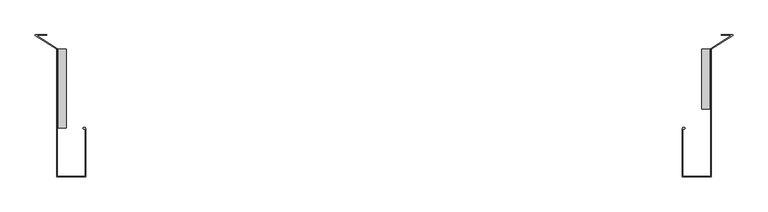
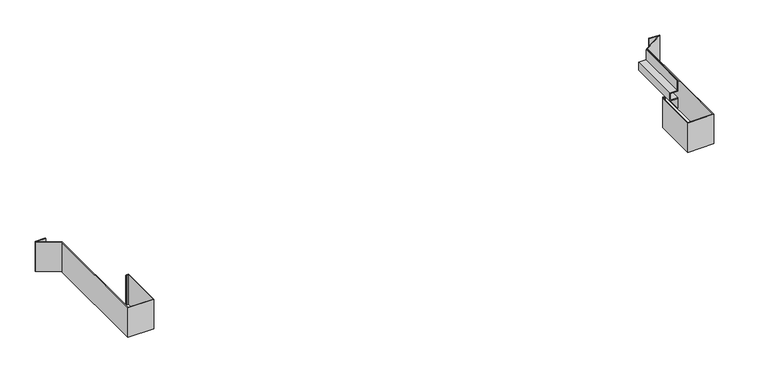
"""IFC4 building model written with IfcOpenShell, lengths in millimetres: furniture geometry."""

from ifc_helpers import new_model, si_unit, point, frame, frame_2d, origin, place, context, project, spatial, polyline, circle_curve, trimmed, segment, composite_curve, outline, extrude, source, transform, mapped, element, save


def furniture_e491755e(model_context):
    return source(origin(), model_context, "Body", "SweptSolid", [
        extrude(outline(polyline([(556.2218991, 1448.6695499), (556.2218991, 1429.6957081), (535.978113, 1429.6957081), (535.978113, 1448.893991), (510.2860039, 1448.893991), (510.2860039, 1449.9396259), (537.2480936, 1449.9396259), (537.2480936, 1431.1901911), (554.9518822, 1431.1901911), (554.9518822, 1449.9396259), (581.9140082, 1449.9396259), (581.9140082, 1448.6695499), (556.2218991, 1448.6695499)])), frame((0.0, -127.2057439, 0.0), z_axis=(0.0, 1.0, 0.0), x_axis=(0.0, 0.0, 1.0)), (0.0, 0.0, 1.0), 131.521204),
        extrude(outline(composite_curve([segment(polyline([(1472.9502922, 35.7860606), (1497.9842906, 35.7860606), (1498.7464352, 35.2140615), (1498.4101344, 34.3224621), (1451.2096134, 4.3154514), (1451.2096134, -275.9989394), (1387.8620266, -275.9989394), (1387.8620266, -169.4713484), (1392.700731, -169.4713484)]), True, "CONTINUOUS"), segment(trimmed(circle_curve(frame_2d((1392.7370871, -169.091216)), 0.3818669), [point((1392.700731, -169.4713484))], [point((1392.7370871, -168.7093491))], True, "CARTESIAN"), True, "CONTINUOUS"), segment(polyline([(1392.7370871, -168.7093491), (1389.1320254, -168.7093491), (1389.1320254, -167.4393412), (1392.9420308, -167.4393412), (1394.5930292, -169.0903487), (1392.9420308, -170.7413472), (1389.1320072, -170.7413472), (1389.1320072, -274.7289406), (1449.9396259, -274.7289406), (1449.9396259, 5.0129912), (1496.347456, 34.5160595), (1472.9502922, 34.5160595), (1472.9502922, 35.7860606)]), True, "CONTINUOUS")], self_intersect=False)), frame((0.0, 0.0, 507.9999879), z_axis=(0.0, 0.0, 1.0), x_axis=(1.0, 0.0, 0.0)), (0.0, 0.0, 1.0), 76.2),
        extrude(outline(polyline([(556.2218991, 21.7271599), (581.9140082, 21.7271599), (581.9140082, 20.4571611), (554.9518822, 20.4571611), (554.9518822, 39.4309598), (537.2480936, 39.4309598), (537.2480936, 20.4571611), (510.2860039, 20.4571611), (510.2860039, 21.7271599), (535.978113, 21.7271599), (535.978113, 40.7009586), (556.2218991, 40.7009586), (556.2218991, 21.7271599)])), frame((0.0, -168.7093491, 0.0), z_axis=(0.0, 1.0, 0.0), x_axis=(0.0, 0.0, 1.0)), (0.0, 0.0, 1.0), 173.0248092),
        extrude(outline(composite_curve([segment(polyline([(-2.5534878, 35.7860606), (-2.5534878, 34.5160595), (-25.9506689, 34.5160595), (20.4571611, 5.0129912), (20.4571611, -274.7289406), (81.2647617, -274.7289406), (81.2647617, -170.7413472), (77.4547563, -170.7413472), (75.8037578, -169.0903487), (77.4547563, -167.4393412), (81.2647617, -167.4393412), (81.2647617, -168.7093491), (77.6596999, -168.7093491)]), True, "CONTINUOUS"), segment(trimmed(circle_curve(frame_2d((77.6596999, -169.091216)), 0.3818669), [point((77.6596999, -168.7093491))], [point((77.6960561, -169.4713484))], True, "CARTESIAN"), True, "CONTINUOUS"), segment(polyline([(77.6960561, -169.4713484), (82.5347605, -169.4713484), (82.5347605, -275.9989394), (19.1871601, -275.9989394), (19.1871601, 4.3154601), (-28.0133473, 34.3224621), (-28.3496481, 35.2140615), (-27.5875035, 35.7860606), (-2.5534878, 35.7860606)]), True, "CONTINUOUS")], self_intersect=False)), frame((0.0, 0.0, 507.9999879), z_axis=(0.0, 0.0, 1.0), x_axis=(1.0, 0.0, 0.0)), (0.0, 0.0, 1.0), 76.2),
    ])


if __name__ == "__main__":
    model = new_model("IFC4")
    model_context = context("Model", 3, world=origin())
    ifc_project = project(units=[si_unit("LENGTHUNIT", "METRE", prefix="MILLI")], contexts=[model_context])
    site = spatial("IfcSite", under=ifc_project)
    building = spatial("IfcBuilding", under=site)
    placement = place(None, origin())
    furniture_shape = furniture_e491755e(model_context)
    element("IfcFurniture", 1, at=placement, inside=building, context=model_context, shape_type="MappedRepresentation", body=[
        mapped(furniture_shape, transform((0.0, 0.0, 0.0), x_axis=(1.0, 0.0, 0.0), y_axis=(0.0, 1.0, 0.0), z_axis=(0.0, 0.0, 1.0))),
    ])
    save(model, "model.ifc")
